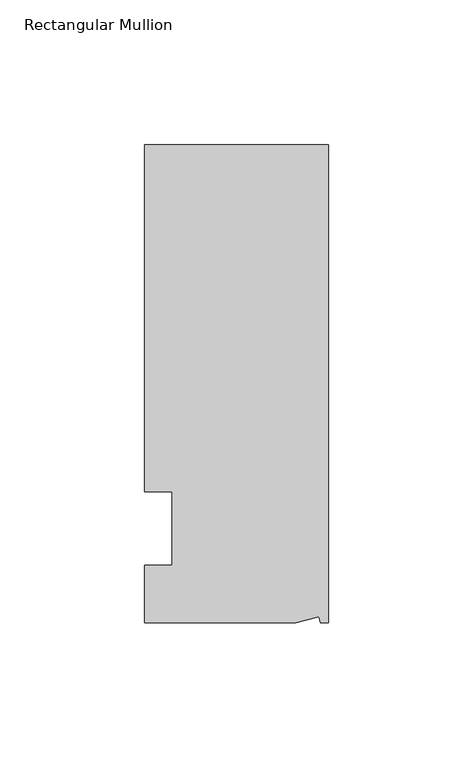
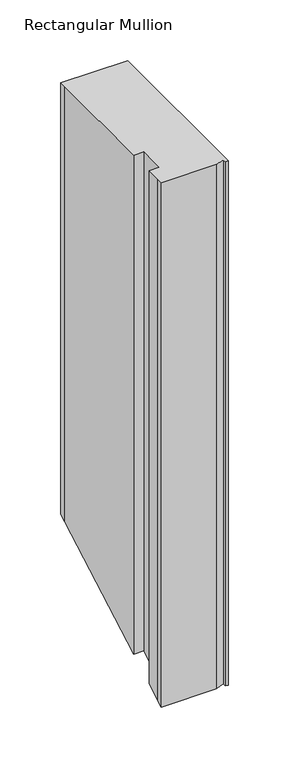
"""IFC4 building model written with IfcOpenShell, lengths in millimetres: member geometry, Rectangular Mullion."""

from ifc_helpers import new_model, si_unit, origin, place, context, project, spatial, faceted_brep, source, transform, mapped, element, save


def rectangular_mullion_2b21a9c6(model_context):
    return source(origin(), model_context, "Body", "Brep", [
        faceted_brep([(0.0, 132.5561012, 0.0), (-63.5, 132.5561012, 0.0), (-63.5, 126.2061012, 0.0), (-63.5, 12.8054199, 0.0), (-53.975, 12.8054199, 0.0), (-53.975, -12.5945801, 0.0), (-63.5, -12.5945801, 0.0), (-63.5, -26.1938988, 0.0), (-63.5, -32.5438988, 0.0), (-11.121847, -32.5438988, 0.0), (-3.3341886, -30.4622958, 0.0), (-2.7616541, -32.5438988, 0.0), (0.0, -32.5438988, 0.0), (0.0, 132.5561012, -433.0033664), (-63.5, 132.5561012, -433.0033664), (-63.5, 126.2061012, -436.5960235), (-63.5, 12.8054199, -500.755042), (-53.975, 12.8054199, -500.755042), (-53.975, -12.5945801, -515.1256706), (-63.5, -12.5945801, -515.1256706), (-63.5, -26.1938988, -522.8197949), (-63.5, -32.5438988, -526.4124521), (-11.121847, -32.5438988, -526.4124521), (-3.3341886, -30.4622958, -525.2347377), (-2.7616541, -32.5438988, -526.4124521), (0.0, -32.5438988, -526.4124521)], [[[0, 1, 2, 3, 4, 5, 6, 7, 8, 9, 10, 11, 12]], [[1, 0, 13, 14]], [[3, 2, 15, 16]], [[4, 3, 16, 17]], [[5, 4, 17, 18]], [[6, 5, 18, 19]], [[7, 6, 19, 20]], [[9, 8, 21, 22]], [[10, 9, 22, 23]], [[11, 10, 23, 24]], [[12, 11, 24, 25]], [[0, 12, 25, 13]], [[13, 25, 24, 23, 22, 21, 20, 19, 18, 17, 16, 15, 14]], [[2, 1, 14, 15]], [[8, 7, 20, 21]]]),
    ])


if __name__ == "__main__":
    model = new_model("IFC4")
    model_context = context("Model", 3, world=origin())
    ifc_project = project(units=[si_unit("LENGTHUNIT", "METRE", prefix="MILLI")], contexts=[model_context])
    site = spatial("IfcSite", under=ifc_project)
    building = spatial("IfcBuilding", under=site)
    placement = place(None, origin())
    rectangular_mullion_shape = rectangular_mullion_2b21a9c6(model_context)
    element("IfcMember", 1, ObjectType="Rectangular Mullion", at=placement, inside=building, context=model_context, shape_type="MappedRepresentation", body=[
        mapped(rectangular_mullion_shape, transform((0.0, 0.0, 0.0), x_axis=(1.0, 0.0, 0.0), y_axis=(0.0, 1.0, 0.0), z_axis=(0.0, 0.0, 1.0))),
    ])
    save(model, "model.ifc")
